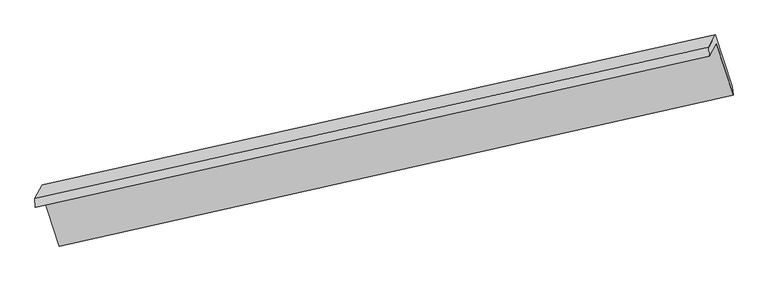
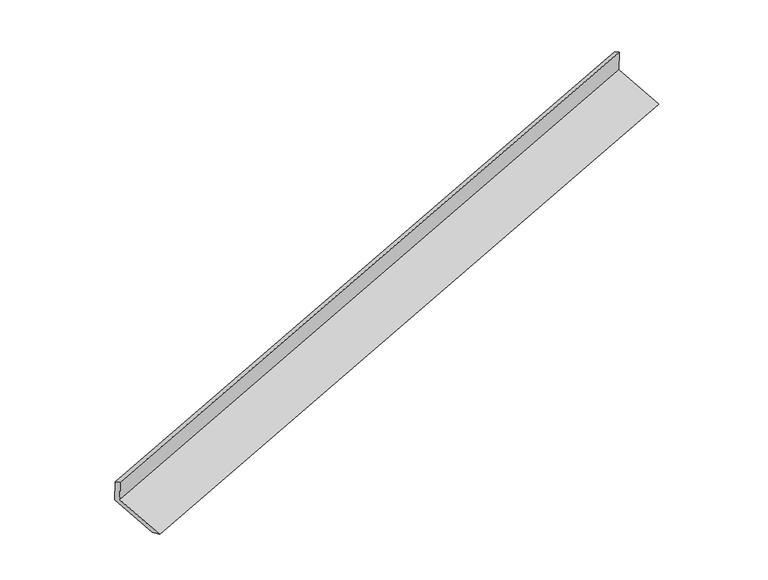
"""IFC4 building model written with IfcOpenShell, lengths in millimetres: proxy geometry."""

from ifc_helpers import new_model, si_unit, frame, origin, place, context, project, spatial, source, transform, mapped, element, save
from ifc_brep_helpers import plane_surface, spline_surface, advanced_brep


def generic_models_04632e67(model_context):
    return source(origin(), model_context, "Body", "AdvancedBrep", [
        advanced_brep(
        [(-7444.4771857, -2455.0330113, 948.6527474), (-7352.2874383, -2280.4996932, 523.6094345), (1553.5182548, -280.8598843, 3259.7968425), (1461.3285075, -455.3932023, 3684.8401554), (-7451.0692591, -2335.1199663, 884.6002983), (1454.736434, -335.4801574, 3620.7877063), (-7356.4556723, -2155.9978437, 448.3818083), (1541.0246419, -172.119614, 3222.9536002), (-7147.4602499, -2802.4863145, 228.2476717), (1763.2430907, -859.511058, 2988.8916968), (-7130.0689895, -2967.8911372, 289.5475311), (1775.7367036, -968.2513282, 3025.7349391)],
        [
            (0, 1),
            (1, 2),
            (2, 3),
            (3, 0),
            (4, 0),
            (3, 5),
            (5, 4),
            (6, 4),
            (5, 7),
            (7, 6),
            (8, 6),
            (7, 9),
            (9, 8),
            (10, 8),
            (9, 11),
            (11, 10),
            (1, 10),
            (11, 2),
        ],
        [
            plane_surface(frame((-7398.382312, -2367.7663523, 736.131091), z_axis=(0.29727153696853414, -0.9041609156537624, -0.3067941849392125), x_axis=(0.19671798382716646, 0.3724258218514385, -0.9069735619395173))),
            plane_surface(frame((-7447.7732224, -2395.0764888, 916.6265228), z_axis=(-0.3517420084511752, 0.4259285752198168, 0.8335840739253301), x_axis=(0.04843276843425561, -0.8810157831793015, 0.47060116524585427))),
            plane_surface(frame((-7403.7624657, -2245.558905, 666.4910533), z_axis=(-0.2972715369685273, 0.904160915653775, 0.3067941849391814), x_axis=(-0.1967179838271647, -0.37242582185140477, 0.9069735619395315))),
            plane_surface(frame((-7251.9579611, -2479.2420791, 338.31474), z_axis=(0.19940028063074502, 0.3730114268005605, -0.9061467891906865), x_axis=(-0.2926276088027596, 0.9051890860796652, 0.30822362175641177))),
            spline_surface(1, 1, [[(-7130.0689895, -2967.8911372, 289.5475311), (1775.7367036, -968.2513282, 3025.7349391)], [(-7147.4602499, -2802.4863145, 228.2476717), (1763.2430907, -859.511058, 2988.8916968)]], [2, 2], [2, 2], [0.0, 1.0], [0.0, 1.0]),
            plane_surface(frame((-7241.1782139, -2624.1954152, 406.5784828), z_axis=(-0.19524465640620414, -0.3721030099578374, 0.9074243076560937), x_axis=(0.2926276088027504, -0.905189086079668, -0.3082236217564125))),
            plane_surface(frame((1591.5979388, -511.935874, 3300.5008234), z_axis=(0.9357730052771114, 0.20477237523785877, 0.2870490497007247), x_axis=(-0.2926276088027596, 0.9051890860796652, 0.30822362175641177))),
            plane_surface(frame((-7313.6364658, -2499.504661, 553.8399152), z_axis=(-0.9357730052771973, -0.20477237523756264, -0.2870490497006558), x_axis=(-0.19671798382719577, -0.3724258218514045, 0.9069735619395249))),
        ],
        [
            (0, [[1, 2, 3, 4]]),
            (1, [[5, -4, 6, 7]]),
            (2, [[8, -7, 9, 10]]),
            (3, [[11, -10, 12, 13]]),
            (4, [[14, -13, 15, 16]]),
            (5, [[17, -16, 18, -2]]),
            (6, [[-12, -9, -6, -3, -18, -15]]),
            (7, [[-1, -5, -8, -11, -14, -17]]),
        ],
    ),
    ])


if __name__ == "__main__":
    model = new_model("IFC4")
    model_context = context("Model", 3, world=origin())
    ifc_project = project(units=[si_unit("LENGTHUNIT", "METRE", prefix="MILLI")], contexts=[model_context])
    site = spatial("IfcSite", under=ifc_project)
    building = spatial("IfcBuilding", under=site)
    placement = place(None, origin())
    generic_models_shape = generic_models_04632e67(model_context)
    element("IfcBuildingElementProxy", 1, Name="Generic Models", at=placement, inside=building, context=model_context, shape_type="MappedRepresentation", body=[
        mapped(generic_models_shape, transform((0.0, 0.0, 0.0), x_axis=(1.0, 0.0, 0.0), y_axis=(0.0, 1.0, 0.0), z_axis=(0.0, 0.0, 1.0))),
    ])
    save(model, "model.ifc")
